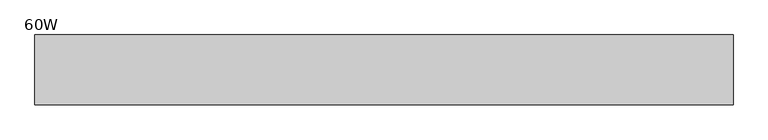
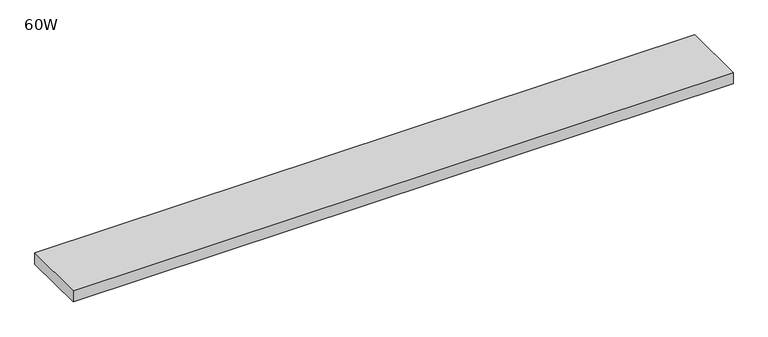
"""IFC4 building model written with IfcOpenShell, lengths in millimetres: furniture geometry, 60W."""

from ifc_helpers import new_model, si_unit, frame, origin, place, context, project, spatial, polyline, outline, extrude, source, transform, mapped, element, save


def furniture_60w_2cd0eb4c(model_context):
    return source(origin(), model_context, "Body", "SweptSolid", [
        extrude(outline(polyline([(1524.0, 0.0), (1524.0, -152.4), (0.0, -152.4), (0.0, 0.0), (1524.0, 0.0)])), frame((0.0, 0.0, 349.758), z_axis=(0.0, 0.0, 1.0), x_axis=(1.0, 0.0, 0.0)), (0.0, 0.0, 1.0), 26.924),
    ])


if __name__ == "__main__":
    model = new_model("IFC4")
    model_context = context("Model", 3, world=origin())
    ifc_project = project(units=[si_unit("LENGTHUNIT", "METRE", prefix="MILLI")], contexts=[model_context])
    site = spatial("IfcSite", under=ifc_project)
    building = spatial("IfcBuilding", under=site)
    placement = place(None, origin())
    furniture_60w_shape = furniture_60w_2cd0eb4c(model_context)
    element("IfcFurniture", 1, ObjectType="60W", at=placement, inside=building, context=model_context, shape_type="MappedRepresentation", body=[
        mapped(furniture_60w_shape, transform((0.0, 0.0, 0.0), x_axis=(1.0, 0.0, 0.0), y_axis=(0.0, 1.0, 0.0), z_axis=(0.0, 0.0, 1.0))),
    ])
    save(model, "model.ifc")
